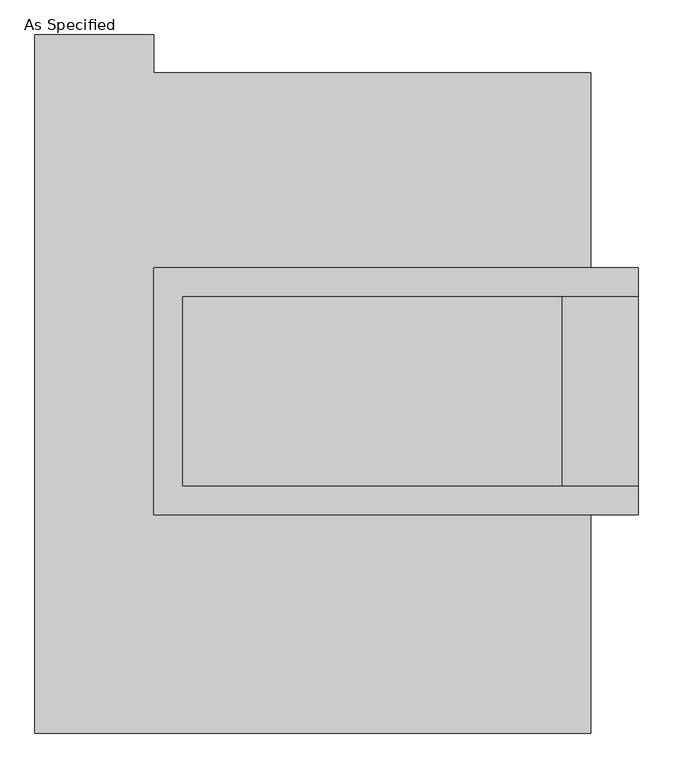
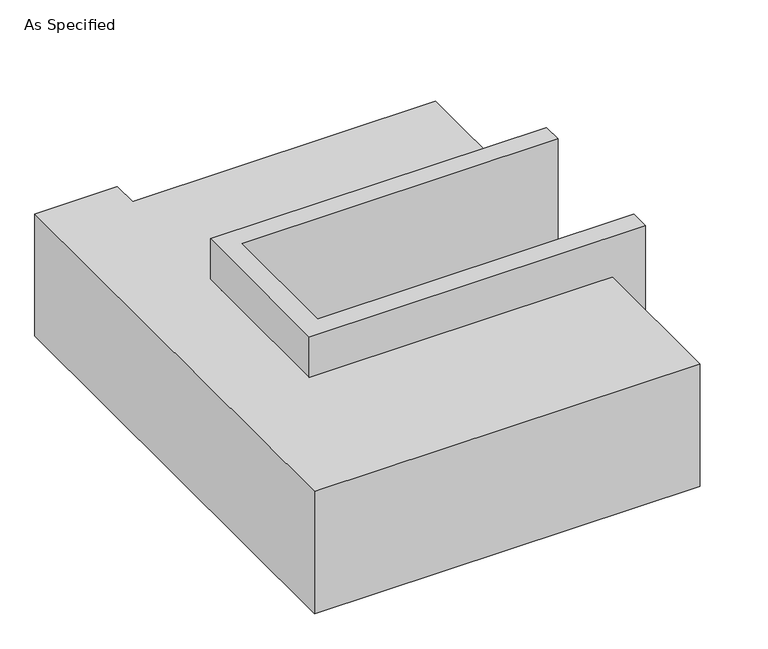
"""IFC4 building model written with IfcOpenShell, lengths in millimetres: proxy geometry, As Specified."""

from ifc_helpers import new_model, si_unit, origin, place, context, project, spatial, faceted_brep, source, transform, mapped, element, save


def as_specified_8c056233(model_context):
    return source(origin(), model_context, "Body", "Brep", [
        faceted_brep([(-501.65, 361.95, 139.7), (-501.65, 361.95, -393.7), (-501.65, 285.75, -393.7), (-501.65, 285.75, -25.4), (-501.65, -222.25, -25.4), (-501.65, -222.25, -393.7), (-501.65, -298.45, -393.7), (-501.65, -298.45, 139.7), (793.75, 285.75, 139.7), (793.75, 285.75, -317.5), (793.75, -222.25, -317.5), (793.75, -222.25, 139.7), (793.75, -298.45, 139.7), (793.75, -298.45, -393.7), (793.75, 361.95, -393.7), (793.75, 361.95, 139.7), (-425.45, -222.25, 139.7), (-425.45, 285.75, 139.7), (590.55, -222.25, -393.7), (590.55, 285.75, -393.7), (590.55, -222.25, -317.5), (-425.45, -222.25, -25.4), (590.55, 285.75, -317.5), (-425.45, 285.75, -25.4)], [[[0, 1, 2, 3, 4, 5, 6, 7]], [[8, 9, 10, 11, 12, 13, 14, 15]], [[0, 7, 12, 11, 16, 17, 8, 15]], [[1, 0, 15, 14]], [[14, 13, 6, 5, 18, 19, 2, 1]], [[7, 6, 13, 12]], [[11, 10, 20, 18, 5, 4, 21, 16]], [[10, 9, 22, 20]], [[9, 8, 17, 23, 3, 2, 19, 22]], [[18, 20, 22, 19]], [[23, 21, 4, 3]], [[17, 16, 21, 23]]]),
        faceted_brep([(666.75, -882.65, -523.9742188), (-819.15, -882.65, -523.9742188), (-819.15, 984.25, -523.9742188), (-501.65, 984.25, -523.9742188), (-501.65, 882.65, -523.9742188), (666.75, 882.65, -523.9742188), (-819.15, -882.65, -25.4), (666.75, -882.65, -25.4), (666.75, -298.45, -25.4), (-501.65, -298.45, -25.4), (-501.65, 361.95, -25.4), (666.75, 361.95, -25.4), (666.75, 882.65, -25.4), (-501.65, 882.65, -25.4), (-501.65, 984.25, -25.4), (-819.15, 984.25, -25.4), (666.75, 361.95, -393.7), (666.75, -298.45, -393.7), (-501.65, -298.45, -393.7), (-501.65, 361.95, -393.7)], [[[0, 1, 2, 3, 4, 5]], [[6, 7, 8, 9, 10, 11, 12, 13, 14, 15]], [[12, 5, 4, 13]], [[2, 1, 6, 15]], [[5, 12, 11, 16, 17, 8, 7, 0]], [[1, 0, 7, 6]], [[18, 19, 10, 9]], [[10, 19, 16, 11]], [[19, 18, 17, 16]], [[18, 9, 8, 17]], [[3, 2, 15, 14]], [[4, 3, 14, 13]]]),
    ])


if __name__ == "__main__":
    model = new_model("IFC4")
    model_context = context("Model", 3, world=origin())
    ifc_project = project(units=[si_unit("LENGTHUNIT", "METRE", prefix="MILLI")], contexts=[model_context])
    site = spatial("IfcSite", under=ifc_project)
    building = spatial("IfcBuilding", under=site)
    placement = place(None, origin())
    as_specified_shape = as_specified_8c056233(model_context)
    element("IfcBuildingElementProxy", 1, Name="As Specified", ObjectType="As Specified", at=placement, inside=building, context=model_context, shape_type="MappedRepresentation", body=[
        mapped(as_specified_shape, transform((0.0, 0.0, 0.0), x_axis=(1.0, 0.0, 0.0), y_axis=(0.0, 1.0, 0.0), z_axis=(0.0, 0.0, 1.0))),
    ])
    save(model, "model.ifc")
